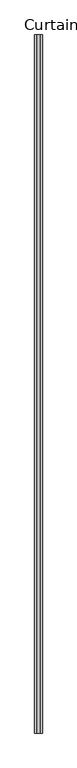
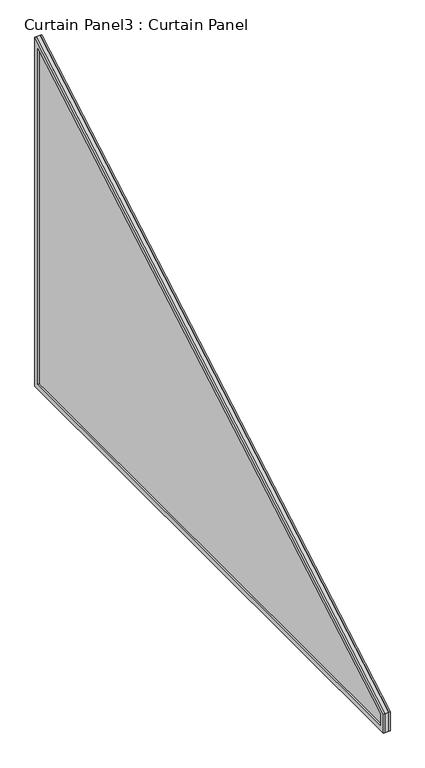
"""IFC4 building model written with IfcOpenShell, lengths in millimetres: plate geometry, Curtain Panel3 : Curtain Panel."""

from ifc_helpers import new_model, si_unit, frame, origin, place, context, project, spatial, polyline, outline, extrude, source, transform, mapped, element, save


def curtain_panel3_curtain_panel_4ed4d834(model_context):
    return source(origin(), model_context, "Body", "SweptSolid", [
        extrude(outline(polyline([(-20267.0082083, 1098.3395525), (-20267.0082083, -148.1680986), (-22308.0978658, -148.1680986), (-22308.0978658, -80.0841107), (-20267.0082083, 1098.3395525)]), holes=[polyline([(-22296.9726658, -86.5072479), (-22296.9726658, -137.0428986), (-20278.1334083, -137.0428986), (-20278.1334083, 1079.0701409), (-22296.9726658, -86.5072479)])]), frame((16916.8065294, 0.0, 0.0), z_axis=(1.0, 0.0, 0.0), x_axis=(0.0, 1.0, 0.0)), (0.0, 0.0, 1.0), 4.651048),
        extrude(outline(polyline([(-20267.0082083, 1098.3395525), (-20267.0082083, -148.1680986), (-22308.0978658, -148.1680986), (-22308.0978658, -80.0841107), (-20267.0082083, 1098.3395525)]), holes=[polyline([(-22290.6226658, -90.1734221), (-22290.6226658, -130.6928986), (-20284.4834083, -130.6928986), (-20284.4834083, 1068.0716182), (-22290.6226658, -90.1734221)])]), frame((16899.0815791, 0.0, 0.0), z_axis=(1.0, 0.0, 0.0), x_axis=(0.0, 1.0, 0.0)), (0.0, 0.0, 1.0), 4.8314324),
        extrude(outline(polyline([(-22308.0978658, -148.1680986), (-22308.0978658, -80.0841107), (-20267.0082083, 1098.3395525), (-20267.0082083, -148.1680986), (-22308.0978658, -148.1680986)])), frame((16903.9130116, 0.0, 0.0), z_axis=(1.0, 0.0, 0.0), x_axis=(0.0, 1.0, 0.0)), (0.0, 0.0, 1.0), 12.8935179),
    ])


if __name__ == "__main__":
    model = new_model("IFC4")
    model_context = context("Model", 3, world=origin())
    ifc_project = project(units=[si_unit("LENGTHUNIT", "METRE", prefix="MILLI")], contexts=[model_context])
    site = spatial("IfcSite", under=ifc_project)
    building = spatial("IfcBuilding", under=site)
    placement = place(None, origin())
    curtain_panel3_curtain_panel_shape = curtain_panel3_curtain_panel_4ed4d834(model_context)
    element("IfcPlate", 1, ObjectType="Curtain Panel3 : Curtain Panel", at=placement, inside=building, context=model_context, shape_type="MappedRepresentation", body=[
        mapped(curtain_panel3_curtain_panel_shape, transform((0.0, 0.0, 0.0), x_axis=(1.0, 0.0, 0.0), y_axis=(0.0, 1.0, 0.0), z_axis=(0.0, 0.0, 1.0))),
    ])
    save(model, "model.ifc")
